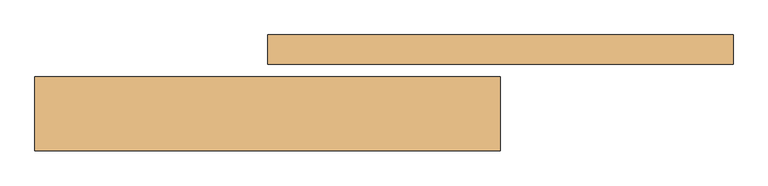
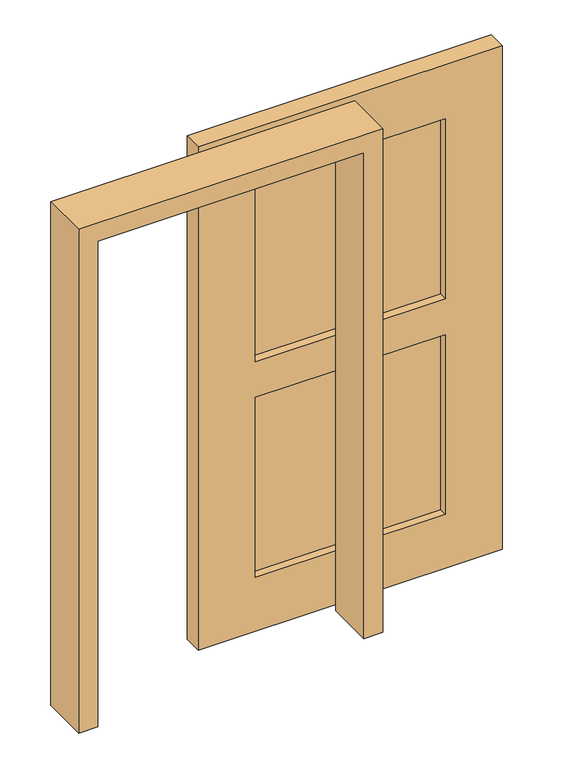
"""IFC4 building model written with IfcOpenShell, lengths in millimetres: door geometry."""

import ifcopenshell
import ifcopenshell.guid

model = None  # the IFC model being written
_history = None  # IfcOwnerHistory: only IFC2X3 demands one
_inside = {}  # id of a spatial element -> (the spatial element, [elements in it])
_under = {}  # id of a project, library or spatial element -> (it, [spatial elements below it])
_declared = {}  # id of a project -> (the project, [libraries it declares])
_typed = {}  # id of a type object -> (the type object, [elements of that type])
_made_of = {}  # id of a material, layer set ... -> (it, [elements and type objects made of it])


def new_model(schema):
    """Start an empty IFC model of exactly this schema.

    Asked for "IFC4X3", IfcOpenShell would pick the latest addendum, in which some entities
    have other attributes; the version numbers below select the first issue.
    IFC2X3 requires an IfcOwnerHistory on every rooted entity: one is made here for all.
    """
    global model, _history
    if schema == "IFC4X3":
        model = ifcopenshell.file(schema_version=(4, 3, 0, 0))
    else:
        model = ifcopenshell.file(schema=schema)
    _inside.clear()
    _under.clear()
    _declared.clear()
    _typed.clear()
    _made_of.clear()
    _history = None
    if model.schema == "IFC2X3":
        org = make("IfcOrganization", Name="unknown")
        user = make(
            "IfcPersonAndOrganization",
            ThePerson=make("IfcPerson", FamilyName="unknown"),
            TheOrganization=org,
        )
        app = make(
            "IfcApplication",
            ApplicationDeveloper=org,
            Version="unknown",
            ApplicationFullName="unknown",
            ApplicationIdentifier="unknown",
        )
        _history = make(
            "IfcOwnerHistory",
            OwningUser=user,
            OwningApplication=app,
            ChangeAction="ADDED",
            CreationDate=0,
        )
    return model


def make(cls, **values):
    """One entity of the class cls with the attributes given. An attribute that is None is left unset."""
    return model.create_entity(
        cls, **{name: value for name, value in values.items() if value is not None}
    )


def rooted(cls, **values):
    """An entity with a GlobalId (a new one), such as an element, a storey or a relation."""
    return make(cls, GlobalId=ifcopenshell.guid.new(), OwnerHistory=_history, **values)


def si_unit(unit_type, name, prefix=None):
    """IfcSIUnit, for example si_unit("LENGTHUNIT", "METRE", prefix="MILLI")."""
    return make("IfcSIUnit", UnitType=unit_type, Prefix=prefix, Name=name)


def assignment(units):
    """IfcUnitAssignment: the units of a project."""
    return None if units is None else make("IfcUnitAssignment", Units=units)


def point(xyz):
    """IfcCartesianPoint."""
    return None if xyz is None else make("IfcCartesianPoint", Coordinates=xyz)


def direction(xyz):
    """IfcDirection."""
    return None if xyz is None else make("IfcDirection", DirectionRatios=xyz)


def frame(location, z_axis=None, x_axis=None):
    """IfcAxis2Placement3D, a coordinate frame: its origin and axes. An axis left out is left unset."""
    return make(
        "IfcAxis2Placement3D",
        Location=point(location),
        Axis=direction(z_axis),
        RefDirection=direction(x_axis),
    )


def origin():
    """The frame at (0, 0, 0) with its axes left unset."""
    return frame((0.0, 0.0, 0.0))


def place(relative_to, where):
    """IfcLocalPlacement: puts the frame where relative to a parent placement (None: the world)."""
    return make(
        "IfcLocalPlacement", PlacementRelTo=relative_to, RelativePlacement=where
    )


def context(
    kind, dimensions, precision=None, world=None, true_north=None, identifier=None
):
    """IfcGeometricRepresentationContext, for example the 3D "Model" context."""
    return make(
        "IfcGeometricRepresentationContext",
        ContextIdentifier=identifier,
        ContextType=kind,
        CoordinateSpaceDimension=dimensions,
        Precision=precision,
        WorldCoordinateSystem=world,
        TrueNorth=true_north,
    )


def project(units=None, contexts=None):
    """IfcProject with its units and contexts."""
    return rooted(
        "IfcProject",
        Name="project",
        RepresentationContexts=contexts,
        UnitsInContext=assignment(units),
    )


def spatial(cls, under=None, at=None, **own):
    """A site, building, storey or space (cls), placed at a placement, below another one or the project."""
    s = rooted(cls, ObjectPlacement=at, **own)
    if under is not None:
        _under.setdefault(under.id(), (under, []))[1].append(s)
    return s


def polyline(points):
    """IfcPolyline through the points."""
    return make("IfcPolyline", Points=[point(p) for p in points])


def outline(outer, holes=None, kind="AREA"):
    """IfcArbitraryClosedProfileDef: a profile drawn as a closed curve; with holes, ...WithVoids."""
    if holes is None:
        return make("IfcArbitraryClosedProfileDef", ProfileType=kind, OuterCurve=outer)
    return make(
        "IfcArbitraryProfileDefWithVoids",
        ProfileType=kind,
        OuterCurve=outer,
        InnerCurves=holes,
    )


def extrude(swept, where, along, depth):
    """IfcExtrudedAreaSolid: the profile swept, set in the frame where, extruded along a direction by depth."""
    return make(
        "IfcExtrudedAreaSolid",
        SweptArea=swept,
        Position=where,
        ExtrudedDirection=direction(along),
        Depth=depth,
    )


def shape(context_of_items, identifier, shape_type, items):
    """IfcShapeRepresentation: the items that make up one representation, for example the "Body"."""
    return make(
        "IfcShapeRepresentation",
        ContextOfItems=context_of_items,
        RepresentationIdentifier=identifier,
        RepresentationType=shape_type,
        Items=items,
    )


def source(mapping_origin, context_of_items, identifier, shape_type, items):
    """IfcRepresentationMap: a shape defined once, which mapped items show again and again."""
    return make(
        "IfcRepresentationMap",
        MappingOrigin=mapping_origin,
        MappedRepresentation=shape(context_of_items, identifier, shape_type, items),
    )


def transform(
    local_origin,
    x_axis=None,
    y_axis=None,
    z_axis=None,
    scale=None,
    scale2=None,
    scale3=None,
    uniform=True,
):
    """IfcCartesianTransformationOperator3D, or its non-uniform kind. x_axis, y_axis, z_axis: its Axis1, 2, 3."""
    if uniform:
        return make(
            "IfcCartesianTransformationOperator3D",
            Axis1=direction(x_axis),
            Axis2=direction(y_axis),
            LocalOrigin=point(local_origin),
            Scale=scale,
            Axis3=direction(z_axis),
        )
    return make(
        "IfcCartesianTransformationOperator3DnonUniform",
        Axis1=direction(x_axis),
        Axis2=direction(y_axis),
        LocalOrigin=point(local_origin),
        Scale=scale,
        Axis3=direction(z_axis),
        Scale2=scale2,
        Scale3=scale3,
    )


def mapped(mapping_source, mapping_target):
    """IfcMappedItem: shows the shape of a source again, moved by a transform."""
    return make(
        "IfcMappedItem", MappingSource=mapping_source, MappingTarget=mapping_target
    )


def made_of(thing, what):
    """Note that an element or type object is made of a material, layer set ...; save() writes the relation."""
    if what is not None:
        _made_of.setdefault(what.id(), (what, []))[1].append(thing)
    return thing


def element(
    cls,
    number,
    at=None,
    inside=None,
    cuts=None,
    type_object=None,
    material=None,
    context=None,
    identifier="Body",
    shape_type=None,
    held_by="IfcProductDefinitionShape",
    body=None,
    shapes=None,
    **own,
):
    """One element of the class cls, such as IfcWall. Its Tag is "e" and its number.

    at: its placement. inside: the storey or other place that contains it. cuts: it is an
    opening in that element (IfcRelVoidsElement). A single representation is given by context,
    identifier, shape_type and body (its items); several are given by shapes. held_by: the class
    of the entity that holds the representations. save() writes the other relations.
    """
    e = rooted(cls, Tag="e%d" % number, ObjectPlacement=at, **own)
    if body is not None:
        shapes = [shape(context, identifier, shape_type, body)]
    if shapes is not None:
        e.Representation = make(held_by, Representations=shapes)
    if inside is not None:
        _inside.setdefault(inside.id(), (inside, []))[1].append(e)
    if cuts is not None:
        rooted(
            "IfcRelVoidsElement", RelatingBuildingElement=cuts, RelatedOpeningElement=e
        )
    if type_object is not None:
        _typed.setdefault(type_object.id(), (type_object, []))[1].append(e)
    return made_of(e, material)


def aggregate(whole, parts):
    """IfcRelAggregates: a whole, such as a stair, and the parts it consists of."""
    return rooted("IfcRelAggregates", RelatingObject=whole, RelatedObjects=parts)


def save(model, path):
    """Write the relations noted so far, then the file.

    IfcRelAggregates (storeys below a building ...), IfcRelContainedInSpatialStructure (elements
    in a storey), IfcRelDefinesByType, IfcRelAssociatesMaterial and IfcRelDeclares: one each for
    every whole, place, type object, material and project.
    """
    for whole, parts in _under.values():
        aggregate(whole, parts)
    for where, things in _inside.values():
        rooted(
            "IfcRelContainedInSpatialStructure",
            RelatedElements=things,
            RelatingStructure=where,
        )
    for kind, things in _typed.values():
        rooted("IfcRelDefinesByType", RelatedObjects=things, RelatingType=kind)
    for what, things in _made_of.values():
        rooted("IfcRelAssociatesMaterial", RelatedObjects=things, RelatingMaterial=what)
    for by, libraries in _declared.values():
        rooted("IfcRelDeclares", RelatingContext=by, RelatedDefinitions=libraries)
    model.write(path)


def door_13947804(model_context):
    return source(origin(), model_context, "Body", "SweptSolid", [
        extrude(outline(polyline([(990.6, 167.7876379), (228.6, 167.7876379), (228.6, 178.2873621), (990.6, 178.2873621), (990.6, 167.7876379)])), frame((0.0, 0.0, 1143.0), z_axis=(0.0, 0.0, 1.0), x_axis=(1.0, 0.0, 0.0)), (0.0, 0.0, 1.0), 762.0),
        extrude(outline(polyline([(990.6, 167.7876379), (228.6, 167.7876379), (228.6, 178.2873621), (990.6, 178.2873621), (990.6, 167.7876379)])), frame((0.0, 0.0, 228.6), z_axis=(0.0, 0.0, 1.0), x_axis=(1.0, 0.0, 0.0)), (0.0, 0.0, 1.0), 762.0),
        extrude(outline(polyline([(0.0, 1219.1773827), (2133.6, 1219.1773827), (2133.6, 0.0), (0.0, 0.0), (0.0, 1219.1773827)]), holes=[polyline([(228.6, 228.6), (990.6, 228.6), (990.6, 990.6), (228.6, 990.6), (228.6, 228.6)]), polyline([(1905.0, 228.6), (1905.0, 990.6), (1143.0, 990.6), (1143.0, 228.6), (1905.0, 228.6)])]), frame((0.0, 134.9375, 0.0), z_axis=(0.0, 1.0, 0.0), x_axis=(0.0, 0.0, 1.0)), (0.0, 0.0, 1.0), 76.2),
        extrude(outline(polyline([(2057.4, -533.4), (2057.4, 533.4), (0.0, 533.4), (0.0, 609.6), (2133.6, 609.6), (2133.6, -609.6), (0.0, -609.6), (0.0, -533.4), (2057.4, -533.4)])), frame((0.0, -92.075, 0.0), z_axis=(0.0, 1.0, 0.0), x_axis=(0.0, 0.0, 1.0)), (0.0, 0.0, 1.0), 193.675),
    ])


if __name__ == "__main__":
    model = new_model("IFC4")
    model_context = context("Model", 3, world=origin())
    ifc_project = project(units=[si_unit("LENGTHUNIT", "METRE", prefix="MILLI")], contexts=[model_context])
    site = spatial("IfcSite", under=ifc_project)
    building = spatial("IfcBuilding", under=site)
    placement = place(None, origin())
    door_shape = door_13947804(model_context)
    element("IfcDoor", 1, at=placement, inside=building, context=model_context, shape_type="MappedRepresentation", body=[
        mapped(door_shape, transform((0.0, 0.0, 0.0), x_axis=(1.0, 0.0, 0.0), y_axis=(0.0, 1.0, 0.0), z_axis=(0.0, 0.0, 1.0))),
    ])
    save(model, "model.ifc")
